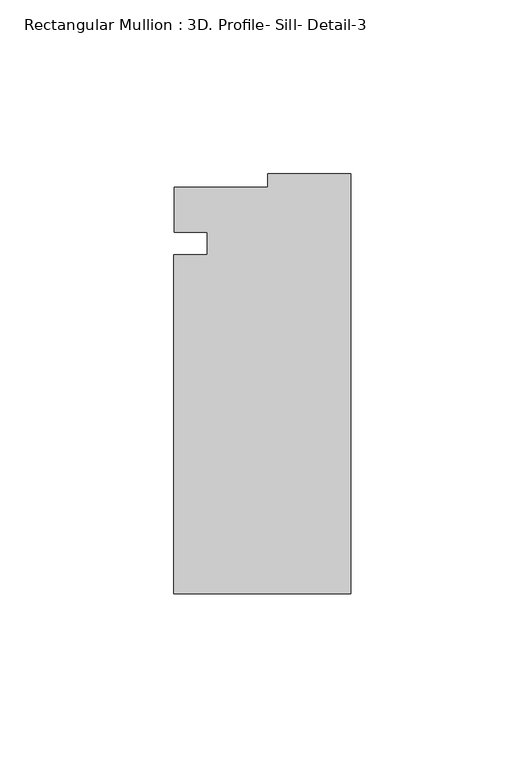
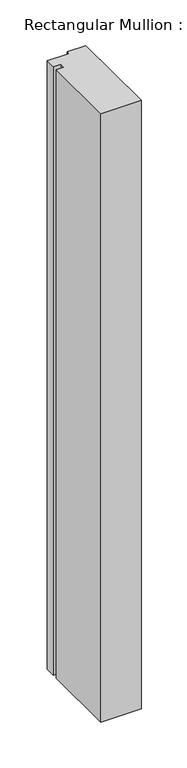
"""IFC4 building model written with IfcOpenShell, lengths in millimetres: member geometry, Rectangular Mullion : 3D. Profile- Sill- Detail-3."""

from ifc_helpers import new_model, si_unit, frame, origin, place, context, project, spatial, polyline, outline, extrude, source, transform, mapped, element, save


def rectangular_mullion_3d_profile_sill_detail_3_d3fb176e(model_context):
    return source(origin(), model_context, "Body", "SweptSolid", [
        extrude(outline(polyline([(-50.8, -43.0771237), (-50.8, 54.3480517), (-41.275, 54.3480517), (-41.275, 60.7882901), (-50.7758192, 60.7882901), (-50.7758192, 73.7730363), (-23.7756192, 73.7730363), (-23.7756192, 77.5728763), (0.0, 77.5728763), (0.0, -43.0771237), (-50.8, -43.0771237)])), frame((0.0, 0.0, -812.8000082), z_axis=(0.0, 0.0, 1.0), x_axis=(1.0, 0.0, 0.0)), (0.0, 0.0, 1.0), 812.8000082),
    ])


if __name__ == "__main__":
    model = new_model("IFC4")
    model_context = context("Model", 3, world=origin())
    ifc_project = project(units=[si_unit("LENGTHUNIT", "METRE", prefix="MILLI")], contexts=[model_context])
    site = spatial("IfcSite", under=ifc_project)
    building = spatial("IfcBuilding", under=site)
    placement = place(None, origin())
    rectangular_mullion_3d_profile_sill_detail_3_shape = rectangular_mullion_3d_profile_sill_detail_3_d3fb176e(model_context)
    element("IfcMember", 1, ObjectType="Rectangular Mullion : 3D. Profile- Sill- Detail-3", at=placement, inside=building, context=model_context, shape_type="MappedRepresentation", body=[
        mapped(rectangular_mullion_3d_profile_sill_detail_3_shape, transform((0.0, 0.0, 0.0), x_axis=(1.0, 0.0, 0.0), y_axis=(0.0, 1.0, 0.0), z_axis=(0.0, 0.0, 1.0))),
    ])
    save(model, "model.ifc")
